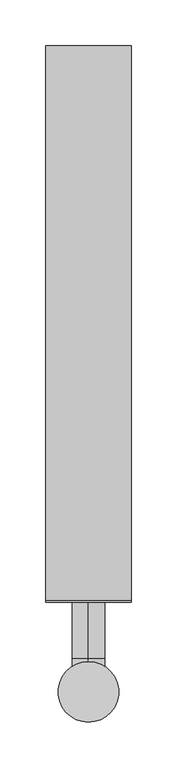
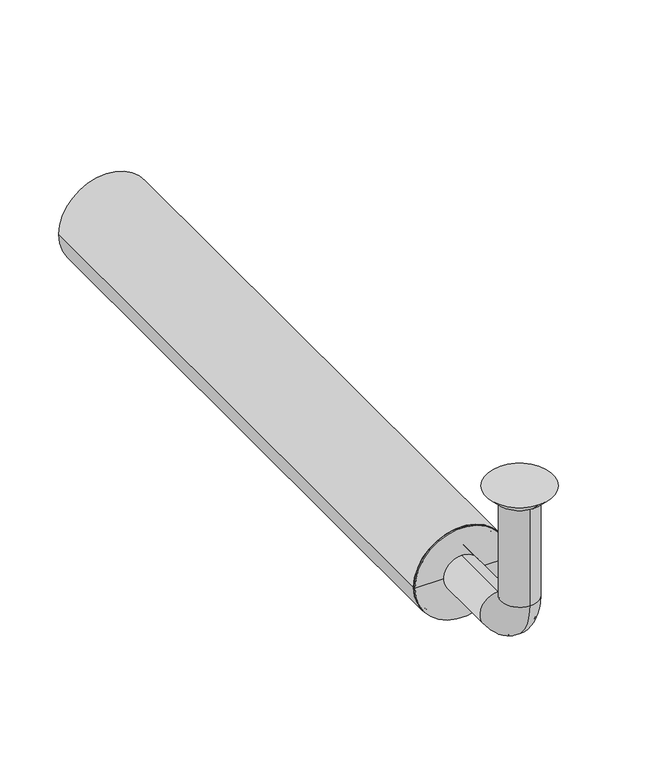
"""IFC4 building model written with IfcOpenShell, lengths in millimetres: beam geometry."""

from ifc_helpers import new_model, si_unit, point, frame, frame_2d, origin, place, context, project, spatial, polyline, circle_curve, ellipse_curve, trimmed, segment, composite_curve, outline, extrude, source, transform, mapped, element, save
from ifc_brep_helpers import plane_surface, cylinder_surface, revolved_surface, advanced_brep


def beam_779d4354(model_context):
    return source(origin(), model_context, "Body", "SolidModel", [
        extrude(outline(composite_curve([segment(trimmed(circle_curve(frame_2d((-150.0, 0.0)), 46.5), [point((-150.0, 46.5))], [point((-150.0, -46.5))], False, "CARTESIAN"), True, "CONTINUOUS"), segment(trimmed(circle_curve(frame_2d((-150.0, 0.0)), 46.5), [point((-150.0, -46.5))], [point((-150.0, 46.5))], False, "CARTESIAN"), True, "CONTINUOUS")], self_intersect=False), holes=[composite_curve([segment(trimmed(circle_curve(frame_2d((-150.0, 0.0)), 43.5), [point((-150.0, 43.5))], [point((-150.0, -43.5))], True, "CARTESIAN"), True, "CONTINUOUS"), segment(trimmed(circle_curve(frame_2d((-150.0, 0.0)), 43.5), [point((-150.0, -43.5))], [point((-150.0, 43.5))], True, "CARTESIAN"), True, "CONTINUOUS")], self_intersect=False)]), frame((0.0, 100.0, 0.0), z_axis=(0.0, 1.0, 0.0), x_axis=(0.0, 0.0, 1.0)), (0.0, 0.0, 1.0), 605.0),
        advanced_brep(
        [(0.0, -18.0, -10.0), (0.0, 18.0, -10.0), (0.0, -17.0, -10.0), (0.0, 17.0, -10.0), (0.0, -18.0, -114.0), (0.0, 18.0, -114.0), (0.0, -17.0, -114.0), (0.0, 17.0, -114.0), (0.0, 36.0, -132.0), (0.0, 36.0, -168.0), (0.0, 36.0, -133.0), (0.0, 36.0, -167.0), (0.0, 123.0, -168.0), (0.0, 123.0, -132.0), (0.0, 123.0, -167.0), (0.0, 123.0, -133.0)],
        [
            (0, 1, circle_curve(frame((0.0, 0.0, -10.0), z_axis=(0.0, 0.0, 1.0), x_axis=(0.0, 1.0, 0.0)), 18.0)),
            (1, 0, circle_curve(frame((0.0, 0.0, -10.0), z_axis=(0.0, 0.0, 1.0), x_axis=(0.0, 1.0, 0.0)), 18.0)),
            (2, 3, circle_curve(frame((0.0, 0.0, -10.0), z_axis=(0.0, 0.0, -1.0), x_axis=(0.0, 1.0, 0.0)), 17.0)),
            (3, 2, circle_curve(frame((0.0, 0.0, -10.0), z_axis=(0.0, 0.0, -1.0), x_axis=(0.0, 1.0, 0.0)), 17.0)),
            (0, 4),
            (4, 5, circle_curve(frame((0.0, 0.0, -114.0), z_axis=(0.0, 0.0, 1.0), x_axis=(0.0, 1.0, 0.0)), 18.0)),
            (5, 1),
            (5, 4, circle_curve(frame((0.0, 0.0, -114.0), z_axis=(0.0, 0.0, 1.0), x_axis=(0.0, 1.0, 0.0)), 18.0)),
            (2, 6),
            (6, 7, circle_curve(frame((0.0, 0.0, -114.0), z_axis=(0.0, 0.0, -1.0), x_axis=(0.0, 1.0, 0.0)), 17.0)),
            (7, 3),
            (7, 6, circle_curve(frame((0.0, 0.0, -114.0), z_axis=(0.0, 0.0, -1.0), x_axis=(0.0, 1.0, 0.0)), 17.0)),
            (8, 5, circle_curve(frame((0.0, 36.0, -114.0), z_axis=(-1.0, 0.0, 0.0), x_axis=(0.0, -1.0, 0.0)), 18.0)),
            (4, 9, circle_curve(frame((0.0, 36.0, -114.0), z_axis=(1.0, 0.0, 0.0), x_axis=(0.0, -1.0, 0.0)), 54.0)),
            (9, 8, circle_curve(frame((0.0, 36.0, -150.0), z_axis=(0.0, -1.0, 0.0), x_axis=(0.0, 0.0, 1.0)), 18.0)),
            (8, 9, circle_curve(frame((0.0, 36.0, -150.0), z_axis=(0.0, -1.0, 0.0), x_axis=(0.0, 0.0, 1.0)), 18.0)),
            (10, 7, circle_curve(frame((0.0, 36.0, -114.0), z_axis=(-1.0, 0.0, 0.0), x_axis=(0.0, -1.0, 0.0)), 19.0)),
            (6, 11, circle_curve(frame((0.0, 36.0, -114.0), z_axis=(1.0, 0.0, 0.0), x_axis=(0.0, -1.0, 0.0)), 53.0)),
            (11, 10, circle_curve(frame((0.0, 36.0, -150.0), z_axis=(0.0, 1.0, 0.0), x_axis=(0.0, 0.0, 1.0)), 17.0)),
            (10, 11, circle_curve(frame((0.0, 36.0, -150.0), z_axis=(0.0, 1.0, 0.0), x_axis=(0.0, 0.0, 1.0)), 17.0)),
            (12, 13, circle_curve(frame((0.0, 123.0, -150.0), z_axis=(0.0, 1.0, 0.0), x_axis=(0.0, 0.0, 1.0)), 18.0)),
            (13, 12, circle_curve(frame((0.0, 123.0, -150.0), z_axis=(0.0, 1.0, 0.0), x_axis=(0.0, 0.0, 1.0)), 18.0)),
            (14, 15, circle_curve(frame((0.0, 123.0, -150.0), z_axis=(0.0, -1.0, 0.0), x_axis=(0.0, 0.0, 1.0)), 17.0)),
            (15, 14, circle_curve(frame((0.0, 123.0, -150.0), z_axis=(0.0, -1.0, 0.0), x_axis=(0.0, 0.0, 1.0)), 17.0)),
            (9, 12),
            (13, 8),
            (11, 14),
            (15, 10),
        ],
        [
            plane_surface(frame((0.0, 0.0, -10.0), z_axis=(0.0, 0.0, 1.0), x_axis=(1.0, 0.0, 0.0))),
            cylinder_surface(frame((0.0, 0.0, -10.0), z_axis=(0.0, 0.0, 1.0), x_axis=(0.0, 1.0, 0.0)), 18.0),
            revolved_surface(polyline([(0.0, 17.0, -114.0), (0.0, 17.0, -10.0)]), (0.0, 0.0, -10.0), (0.0, 0.0, -1.0)),
            revolved_surface(trimmed(ellipse_curve(frame((0.0, 0.0, -114.0), z_axis=(0.0, 0.0, 1.0), x_axis=(0.0, 1.0, 0.0)), 18.0, 18.0), [point((0.0, -18.0, -114.0))], [point((0.0, 18.0, -114.0))], True, "CARTESIAN"), (0.0, 36.0, -114.0), (1.0, 0.0, 0.0)),
            revolved_surface(trimmed(ellipse_curve(frame((0.0, 0.0, -114.0), z_axis=(0.0, 0.0, 1.0), x_axis=(0.0, 1.0, 0.0)), 18.0, 18.0), [point((0.0, 18.0, -114.0))], [point((0.0, -18.0, -114.0))], True, "CARTESIAN"), (0.0, 36.0, -114.0), (1.0, 0.0, 0.0)),
            revolved_surface(trimmed(ellipse_curve(frame((0.0, 0.0, -114.0), z_axis=(0.0, 0.0, -1.0), x_axis=(0.0, 1.0, 0.0)), 17.0, 17.0), [point((0.0, -17.0, -114.0))], [point((0.0, 17.0, -114.0))], True, "CARTESIAN"), (0.0, 36.0, -114.0), (1.0, 0.0, 0.0)),
            revolved_surface(trimmed(ellipse_curve(frame((0.0, 0.0, -114.0), z_axis=(0.0, 0.0, -1.0), x_axis=(0.0, 1.0, 0.0)), 17.0, 17.0), [point((0.0, 17.0, -114.0))], [point((0.0, -17.0, -114.0))], True, "CARTESIAN"), (0.0, 36.0, -114.0), (1.0, 0.0, 0.0)),
            plane_surface(frame((0.0, 123.0, -150.0), z_axis=(0.0, 1.0, 0.0), x_axis=(1.0, 0.0, 0.0))),
            cylinder_surface(frame((0.0, 36.0, -150.0), z_axis=(0.0, -1.0, 0.0), x_axis=(0.0, 0.0, 1.0)), 18.0),
            revolved_surface(polyline([(0.0, 123.0, -133.0), (0.0, 36.0, -133.0)]), (0.0, 36.0, -150.0), (0.0, 1.0, 0.0)),
        ],
        [
            (0, [[1, 2], [3, 4]]),
            (1, [[-1, 5, 6, 7]]),
            (1, [[-2, -7, 8, -5]]),
            (2, [[-3, 9, 10, 11]]),
            (2, [[-4, -11, 12, -9]]),
            (3, [[13, -6, 14, 15]]),
            (4, [[-14, -8, -13, 16]]),
            (5, [[17, -10, 18, 19]]),
            (6, [[-18, -12, -17, 20]]),
            (7, [[21, 22], [23, 24]]),
            (8, [[-15, 25, -22, 26]]),
            (8, [[-16, -26, -21, -25]]),
            (9, [[-19, 27, -24, 28]]),
            (9, [[-20, -28, -23, -27]]),
        ],
    ),
        advanced_brep(
        [(0.0, 23.0, -10.0), (0.0, -23.0, -10.0), (0.0, 33.0, 0.0), (0.0, -33.0, 0.0)],
        [
            (0, 1, circle_curve(frame((0.0, 0.0, -10.0), z_axis=(0.0, 0.0, -1.0), x_axis=(0.0, 1.0, 0.0)), 23.0)),
            (1, 0, circle_curve(frame((0.0, 0.0, -10.0), z_axis=(0.0, 0.0, -1.0), x_axis=(0.0, -1.0, 0.0)), 23.0)),
            (2, 3, circle_curve(frame((0.0, 0.0, 0.0), z_axis=(0.0, 0.0, 1.0), x_axis=(0.0, -1.0, 0.0)), 33.0)),
            (3, 2, circle_curve(frame((0.0, 0.0, 0.0), z_axis=(0.0, 0.0, 1.0), x_axis=(0.0, 1.0, 0.0)), 33.0)),
            (3, 1),
            (0, 2),
        ],
        [
            plane_surface(frame((0.0, 0.0, -10.0), z_axis=(0.0, 0.0, -1.0), x_axis=(-1.0, 0.0, 0.0))),
            plane_surface(frame((0.0, 0.0, 0.0), z_axis=(0.0, 0.0, 1.0), x_axis=(-1.0, 0.0, 0.0))),
            revolved_surface(polyline([(0.0, 23.0, -10.0), (0.0, 33.0, 0.0)]), (0.0, 0.0, -33.0), (0.0, 0.0, 1.0)),
            revolved_surface(polyline([(0.0, -23.0, -10.0), (0.0, -33.0, 0.0)]), (0.0, 0.0, -33.0), (0.0, 0.0, 1.0)),
        ],
        [
            (0, [[1, 2]]),
            (1, [[3, 4]]),
            (2, [[-4, 5, -1, 6]]),
            (3, [[-3, -6, -2, -5]]),
        ],
    ),
        advanced_brep(
        [(43.5, 100.0, -150.0), (-43.5, 100.0, -150.0), (-43.5, 123.0, -150.0), (43.5, 123.0, -150.0), (-18.0, 123.0, -150.0), (18.0, 123.0, -150.0), (-18.0, 98.0, -150.0), (18.0, 98.0, -150.0), (-46.5, 98.0, -150.0), (46.5, 98.0, -150.0), (-46.5, 100.0, -150.0), (46.5, 100.0, -150.0)],
        [
            (0, 1, circle_curve(frame((0.0, 100.0, -150.0), z_axis=(0.0, 1.0, 0.0), x_axis=(-1.0, 0.0, 0.0)), 43.5)),
            (1, 2),
            (2, 3, circle_curve(frame((0.0, 123.0, -150.0), z_axis=(0.0, -1.0, 0.0), x_axis=(-1.0, 0.0, 0.0)), 43.5)),
            (3, 0),
            (1, 0, circle_curve(frame((0.0, 100.0, -150.0), z_axis=(0.0, 1.0, 0.0), x_axis=(-1.0, 0.0, 0.0)), 43.5)),
            (3, 2, circle_curve(frame((0.0, 123.0, -150.0), z_axis=(0.0, -1.0, 0.0), x_axis=(-1.0, 0.0, 0.0)), 43.5)),
            (2, 4),
            (4, 5, circle_curve(frame((0.0, 123.0, -150.0), z_axis=(0.0, -1.0, 0.0), x_axis=(-1.0, 0.0, 0.0)), 18.0)),
            (5, 3),
            (5, 4, circle_curve(frame((0.0, 123.0, -150.0), z_axis=(0.0, -1.0, 0.0), x_axis=(-1.0, 0.0, 0.0)), 18.0)),
            (4, 6),
            (6, 7, circle_curve(frame((0.0, 98.0, -150.0), z_axis=(0.0, -1.0, 0.0), x_axis=(-1.0, 0.0, 0.0)), 18.0)),
            (7, 5),
            (7, 6, circle_curve(frame((0.0, 98.0, -150.0), z_axis=(0.0, -1.0, 0.0), x_axis=(-1.0, 0.0, 0.0)), 18.0)),
            (6, 8),
            (8, 9, circle_curve(frame((0.0, 98.0, -150.0), z_axis=(0.0, -1.0, 0.0), x_axis=(-1.0, 0.0, 0.0)), 46.5)),
            (9, 7),
            (9, 8, circle_curve(frame((0.0, 98.0, -150.0), z_axis=(0.0, -1.0, 0.0), x_axis=(-1.0, 0.0, 0.0)), 46.5)),
            (8, 10),
            (10, 11, circle_curve(frame((0.0, 100.0, -150.0), z_axis=(0.0, -1.0, 0.0), x_axis=(-1.0, 0.0, 0.0)), 46.5)),
            (11, 9),
            (11, 10, circle_curve(frame((0.0, 100.0, -150.0), z_axis=(0.0, -1.0, 0.0), x_axis=(-1.0, 0.0, 0.0)), 46.5)),
            (10, 1),
            (0, 11),
        ],
        [
            cylinder_surface(frame((0.0, 98.0, -150.0), z_axis=(0.0, -1.0, 0.0), x_axis=(-1.0, 0.0, 0.0)), 43.5),
            plane_surface(frame((0.0, 123.0, -150.0), z_axis=(0.0, 1.0, 0.0), x_axis=(-1.0, 0.0, 0.0))),
            revolved_surface(polyline([(-18.0, 98.0, -150.0), (-18.0, 123.0, -150.0)]), (0.0, 98.0, -150.0), (0.0, -1.0, 0.0)),
            plane_surface(frame((0.0, 98.0, -150.0), z_axis=(0.0, -1.0, 0.0), x_axis=(-1.0, 0.0, 0.0))),
            cylinder_surface(frame((0.0, 98.0, -150.0), z_axis=(0.0, -1.0, 0.0), x_axis=(-1.0, 0.0, 0.0)), 46.5),
            plane_surface(frame((0.0, 100.0, -150.0), z_axis=(0.0, 1.0, 0.0), x_axis=(-1.0, 0.0, 0.0))),
        ],
        [
            (0, [[1, 2, 3, 4]]),
            (0, [[5, -4, 6, -2]]),
            (1, [[-3, 7, 8, 9]]),
            (1, [[-6, -9, 10, -7]]),
            (2, [[-8, 11, 12, 13]]),
            (2, [[-10, -13, 14, -11]]),
            (3, [[-12, 15, 16, 17]]),
            (3, [[-14, -17, 18, -15]]),
            (4, [[-16, 19, 20, 21]]),
            (4, [[-18, -21, 22, -19]]),
            (5, [[-20, 23, -1, 24]]),
            (5, [[-22, -24, -5, -23]]),
        ],
    ),
    ])


if __name__ == "__main__":
    model = new_model("IFC4")
    model_context = context("Model", 3, world=origin())
    ifc_project = project(units=[si_unit("LENGTHUNIT", "METRE", prefix="MILLI")], contexts=[model_context])
    site = spatial("IfcSite", under=ifc_project)
    building = spatial("IfcBuilding", under=site)
    placement = place(None, origin())
    beam_shape = beam_779d4354(model_context)
    element("IfcBeam", 1, at=placement, inside=building, context=model_context, shape_type="MappedRepresentation", body=[
        mapped(beam_shape, transform((0.0, 0.0, 0.0), x_axis=(1.0, 0.0, 0.0), y_axis=(0.0, 1.0, 0.0), z_axis=(0.0, 0.0, 1.0))),
    ])
    save(model, "model.ifc")
